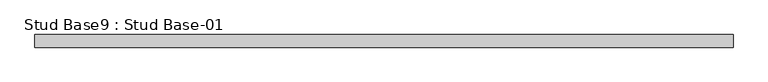
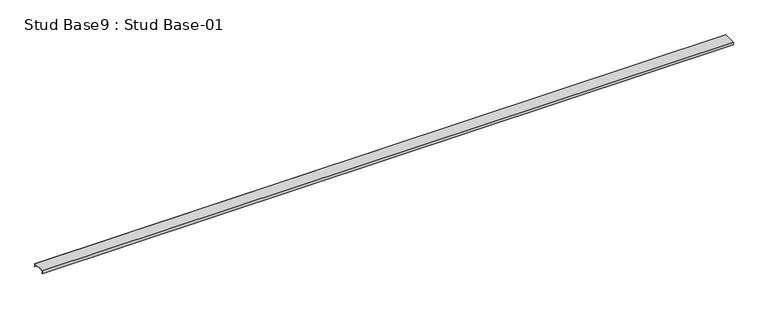
"""IFC4 building model written with IfcOpenShell, lengths in millimetres: proxy geometry, Stud Base9 : Stud Base-01."""

from ifc_helpers import new_model, si_unit, frame, origin, place, context, project, spatial, polyline, outline, extrude, source, transform, mapped, element, save


def stud_base9_stud_base_01_93037d8a(model_context):
    return source(origin(), model_context, "Body", "SweptSolid", [
        extrude(outline(polyline([(-487.1, 10500.0), (-487.1, 10463.0), (-488.6, 10463.0), (-488.6, 10498.0), (-639.6109375, 10498.0), (-639.6109375, 10463.0), (-641.1109375, 10463.0), (-641.1109375, 10500.0), (-487.1, 10500.0)])), frame((-13774.1749894, 0.0, 0.0), z_axis=(1.0, 0.0, 0.0), x_axis=(0.0, 1.0, 0.0)), (0.0, 0.0, 1.0), 8540.0),
    ])


if __name__ == "__main__":
    model = new_model("IFC4")
    model_context = context("Model", 3, world=origin())
    ifc_project = project(units=[si_unit("LENGTHUNIT", "METRE", prefix="MILLI")], contexts=[model_context])
    site = spatial("IfcSite", under=ifc_project)
    building = spatial("IfcBuilding", under=site)
    placement = place(None, origin())
    stud_base9_stud_base_01_shape = stud_base9_stud_base_01_93037d8a(model_context)
    element("IfcBuildingElementProxy", 1, Name="Stud Base9 : Stud Base-01", ObjectType="Stud Base9 : Stud Base-01", at=placement, inside=building, context=model_context, shape_type="MappedRepresentation", body=[
        mapped(stud_base9_stud_base_01_shape, transform((0.0, 0.0, 0.0), x_axis=(1.0, 0.0, 0.0), y_axis=(0.0, 1.0, 0.0), z_axis=(0.0, 0.0, 1.0))),
    ])
    save(model, "model.ifc")
